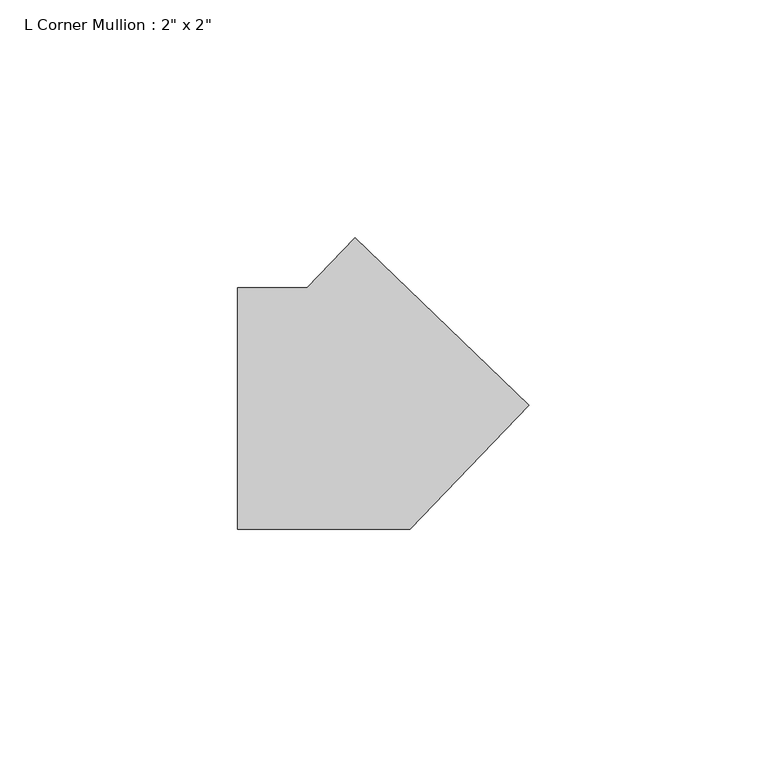
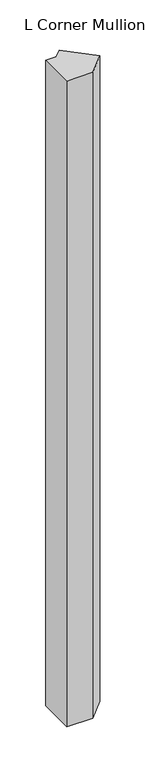
"""IFC4 building model written with IfcOpenShell, lengths in millimetres: member geometry."""

from ifc_helpers import new_model, si_unit, frame, origin, place, context, project, spatial, polyline, outline, extrude, source, transform, mapped, element, save


def member_a7510c8b(model_context):
    return source(origin(), model_context, "Body", "SweptSolid", [
        extrude(outline(polyline([(35.913317, 0.7440862), (10.8305964, -25.4), (-25.4, -25.4), (-25.4, 25.4), (-10.8305964, 25.4), (-0.7440862, 35.913317), (35.913317, 0.7440862)])), frame((0.0, 0.0, -953.0924824), z_axis=(0.0, 0.0, 1.0), x_axis=(1.0, 0.0, 0.0)), (0.0, 0.0, 1.0), 953.0924824),
    ])


if __name__ == "__main__":
    model = new_model("IFC4")
    model_context = context("Model", 3, world=origin())
    ifc_project = project(units=[si_unit("LENGTHUNIT", "METRE", prefix="MILLI")], contexts=[model_context])
    site = spatial("IfcSite", under=ifc_project)
    building = spatial("IfcBuilding", under=site)
    placement = place(None, origin())
    member_shape = member_a7510c8b(model_context)
    element("IfcMember", 1, ObjectType="L Corner Mullion : 2\" x 2\"", at=placement, inside=building, context=model_context, shape_type="MappedRepresentation", body=[
        mapped(member_shape, transform((0.0, 0.0, 0.0), x_axis=(1.0, 0.0, 0.0), y_axis=(0.0, 1.0, 0.0), z_axis=(0.0, 0.0, 1.0))),
    ])
    save(model, "model.ifc")
